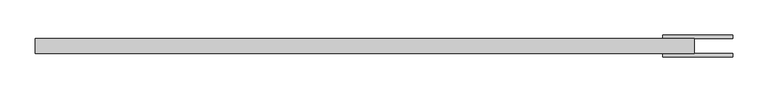
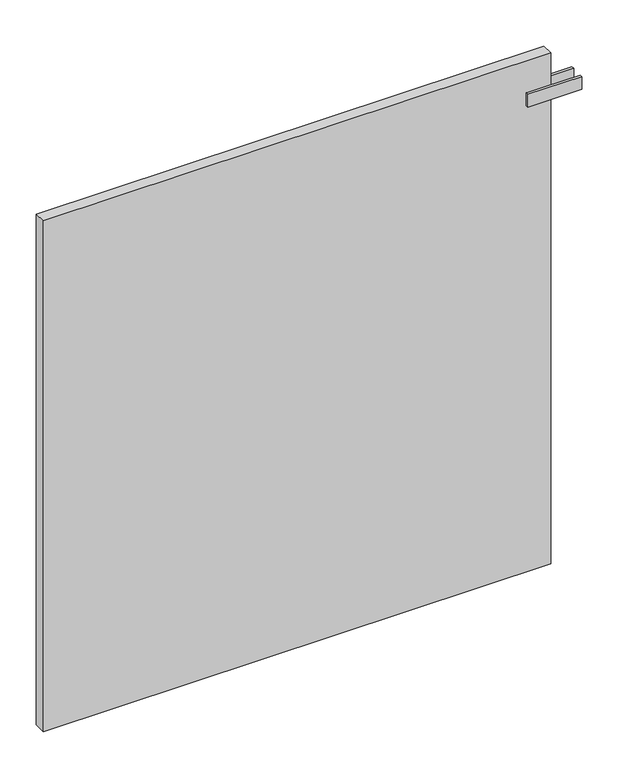
"""IFC4 building model written with IfcOpenShell, lengths in millimetres: plate geometry."""

from ifc_helpers import new_model, si_unit, frame, origin, origin_with_axes, place, context, project, spatial, polyline, outline, extrude, source, transform, mapped, element, save


def plate_fe5ab40b(model_context):
    return source(origin(), model_context, "Body", "SweptSolid", [
        extrude(outline(polyline([(425.0000001, -47.75), (425.0000001, -42.75), (525.0000001, -42.75), (525.0000001, -47.75), (425.0000001, -47.75)])), frame((0.0, 0.0, 912.5), z_axis=(0.0, 0.0, 1.0), x_axis=(1.0, 0.0, 0.0)), (0.0, 0.0, 1.0), 25.0),
        extrude(outline(polyline([(425.0000001, -16.25), (525.0000001, -16.25), (525.0000001, -21.25), (425.0000001, -21.25), (425.0000001, -16.25)])), frame((0.0, 0.0, 912.5), z_axis=(0.0, 0.0, 1.0), x_axis=(1.0, 0.0, 0.0)), (0.0, 0.0, 1.0), 25.0),
        extrude(outline(polyline([(470.0000001, -21.25), (470.0000001, -42.75), (-470.0000001, -42.75), (-470.0000001, -21.25), (470.0000001, -21.25)])), origin_with_axes(), (0.0, 0.0, 1.0), 1000.0),
    ])


if __name__ == "__main__":
    model = new_model("IFC4")
    model_context = context("Model", 3, world=origin())
    ifc_project = project(units=[si_unit("LENGTHUNIT", "METRE", prefix="MILLI")], contexts=[model_context])
    site = spatial("IfcSite", under=ifc_project)
    building = spatial("IfcBuilding", under=site)
    placement = place(None, origin())
    plate_shape = plate_fe5ab40b(model_context)
    element("IfcPlate", 1, at=placement, inside=building, context=model_context, shape_type="MappedRepresentation", body=[
        mapped(plate_shape, transform((0.0, 0.0, 0.0), x_axis=(1.0, 0.0, 0.0), y_axis=(0.0, 1.0, 0.0), z_axis=(0.0, 0.0, 1.0))),
    ])
    save(model, "model.ifc")
